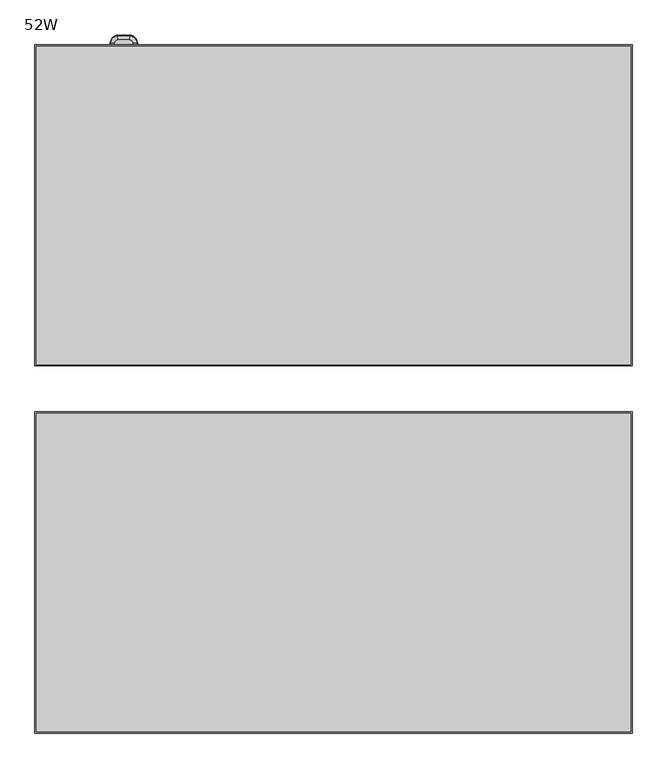
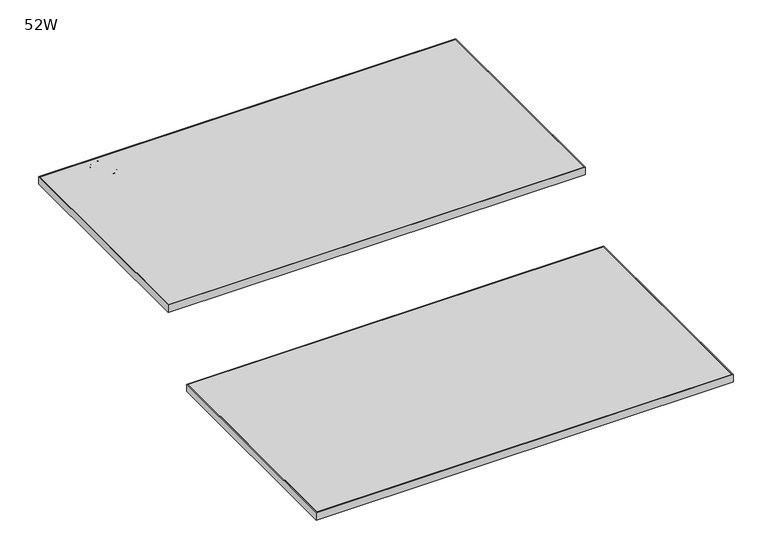
"""IFC4 building model written with IfcOpenShell, lengths in millimetres: furniture geometry, 52W."""

from ifc_helpers import new_model, si_unit, point, frame, origin, place, context, project, spatial, polyline, circle_curve, ellipse_curve, trimmed, outline, extrude, source, transform, mapped, element, save
from ifc_brep_helpers import plane_surface, revolved_surface, advanced_brep


def furniture_52w_1e0976c7(model_context):
    return source(origin(), model_context, "Body", "SolidModel", [
        advanced_brep(
        [(-477.6115374, 822.8053798, 889.4002905), (-478.7543179, 830.4598422, 886.5834162), (-492.2427261, 815.5601737, 886.5834162), (-484.5126626, 815.1822062, 889.4002905), (-493.50939, 815.6221082, 885.1527708), (-478.9415762, 831.7141179, 885.1527708), (-478.9660814, 831.8782564, 880.8840916), (-493.6751497, 815.6302132, 880.8840916), (-492.0943896, 779.9758204, 886.5834162), (-484.3677458, 780.4182206, 889.4002905), (-493.5261794, 779.8938412, 880.8840916), (-493.3604931, 779.9033279, 885.1527708), (-477.9675965, 765.2103493, 886.5834162), (-477.1841927, 772.909896, 889.4002905), (-478.1127656, 763.7835807, 880.8840916), (-478.0959667, 763.9486859, 885.1527708), (-450.6358016, 765.0298244, 886.5834162), (-451.3174314, 772.7390475, 889.4002905), (-450.5094919, 763.6012626, 880.8840916), (-450.5241084, 763.7665754, 885.1527708), (-434.9085802, 781.3244805, 886.5834162), (-442.6371131, 781.7325499, 889.4002905), (-433.4764403, 781.248863, 880.8840916), (-433.6421671, 781.2576135, 885.1527708), (-434.7872101, 814.6662347, 886.5834162), (-442.518509, 814.314442, 889.4002905), (-433.3545576, 814.7314238, 880.8840916), (-433.5203437, 814.7238802, 885.1527708), (-449.306564, 830.6029673, 886.5834162), (-450.3748861, 822.9377583, 889.4002905), (-449.1085979, 832.023373, 880.8840916), (-449.1315065, 831.859004, 885.1527708), (-484.5126626, 815.1822062, 876.6999998), (-477.6115374, 822.8053798, 876.6999998), (-450.3748861, 822.9377583, 876.6999998), (-442.518509, 814.314442, 876.6999998), (-442.6371131, 781.7325499, 876.6999998), (-451.3174314, 772.7390475, 876.6999998), (-477.1841927, 772.909896, 876.6999998), (-484.3677458, 780.4182206, 876.6999998), (-493.3250419, 815.6130944, 880.140773), (-478.914323, 831.5315728, 880.140773), (-493.1762266, 779.9138783, 880.140773), (-478.0772839, 764.1323063, 880.140773), (-450.540364, 763.9504265, 880.140773), (-433.8264787, 781.2673452, 880.140773), (-433.7047213, 814.7154906, 880.140773), (-449.1569841, 831.6762026, 880.140773)],
        [
            (0, 1),
            (1, 2, circle_curve(frame((-476.4143107, 814.786231, 886.5834162), z_axis=(0.0, 0.0, 1.0), x_axis=(-0.14765943736555143, 0.9890382654664525, 0.0)), 15.8473253)),
            (2, 3),
            (3, 0, circle_curve(frame((-476.4143107, 814.786231, 889.3999998), z_axis=(0.0, 0.0, -1.0), x_axis=(-0.14765943736555143, 0.9890382654664525, 0.0)), 8.1088255)),
            (4, 5, circle_curve(frame((-476.4143107, 814.786231, 885.1527708), z_axis=(0.0, 0.0, -1.0), x_axis=(-0.14765943736555143, 0.9890382654664525, 0.0)), 17.1155025)),
            (5, 6, circle_curve(frame((-477.3147111, 820.8172064, 882.5868597), z_axis=(-0.9890382654664525, -0.1476594373655514, 0.0), x_axis=(0.1476594373655514, -0.9890382654664525, 0.0)), 11.3125272)),
            (6, 7, circle_curve(frame((-476.4143107, 814.786231, 880.8840916), z_axis=(0.0, 0.0, 1.0), x_axis=(-0.14765943736555143, 0.9890382654664525, 0.0)), 17.2814602)),
            (7, 4, circle_curve(frame((-482.5048525, 815.0840328, 882.5868597), z_axis=(0.04883743353824094, 0.9988067406087116, 0.0), x_axis=(0.9988067406087116, -0.04883743353824094, 0.0)), 11.3125272)),
            (1, 5, circle_curve(frame((-478.6529657, 829.7809746, 884.6975708), z_axis=(-0.9890382654664525, -0.1476594373655514, 0.0), x_axis=(0.1476594373655514, -0.9890382654664525, 0.0)), 2.0068747)),
            (4, 2, circle_curve(frame((-491.5571536, 815.5266521, 884.6975708), z_axis=(0.048837433538238495, 0.9988067406087117, 0.0), x_axis=(0.9988067406087117, -0.048837433538238495, 0.0)), 2.0068747)),
            (2, 8, circle_curve(frame((-156.9426653, 799.1654161, 886.5834162), z_axis=(0.0, 0.0, 1.0), x_axis=(-0.9988067406087116, 0.04883743353824024, 0.0)), 335.7006387)),
            (8, 9),
            (9, 3, circle_curve(frame((-156.9426653, 799.1654161, 889.3999998), z_axis=(0.0, 0.0, -1.0), x_axis=(-0.9988067406087116, 0.04883743353824024, 0.0)), 327.9621389)),
            (7, 10, circle_curve(frame((-156.9426653, 799.1654161, 880.8840916), z_axis=(0.0, 0.0, 1.0), x_axis=(-0.9988067406087116, 0.04883743353824024, 0.0)), 337.1347736)),
            (10, 11, circle_curve(frame((-482.360824, 780.5331298, 882.5868597), z_axis=(-0.057162821296982205, 0.9983648691041613, 0.0), x_axis=(0.9983648691041613, 0.057162821296982205, 0.0)), 11.3125272)),
            (11, 4, circle_curve(frame((-156.9426653, 799.1654161, 885.1527708), z_axis=(0.0, 0.0, -1.0), x_axis=(-0.9988067406087116, 0.04883743353824024, 0.0)), 336.9688159)),
            (11, 8, circle_curve(frame((-491.4091203, 780.0150565, 884.6975708), z_axis=(-0.057162821296982094, 0.9983648691041613, 0.0), x_axis=(0.9983648691041613, 0.057162821296982094, 0.0)), 2.0068747)),
            (8, 12, circle_curve(frame((-476.3736743, 780.8759327, 886.5834162), z_axis=(0.0, 0.0, 1.0), x_axis=(-0.9983648691041614, -0.05716282129698137, 0.0)), 15.7464628)),
            (12, 13),
            (13, 9, circle_curve(frame((-476.3736743, 780.8759327, 889.3999998), z_axis=(0.0, 0.0, -1.0), x_axis=(-0.9983648691041614, -0.05716282129698137, 0.0)), 8.0079629)),
            (10, 14, circle_curve(frame((-476.3736743, 780.8759327, 880.8840916), z_axis=(0.0, 0.0, 1.0), x_axis=(-0.9983648691041614, -0.05716282129698137, 0.0)), 17.1805977)),
            (14, 15, circle_curve(frame((-476.980711, 774.9097797, 882.5868597), z_axis=(-0.9948636454160269, 0.10122414252308601, 0.0), x_axis=(0.10122414252308601, 0.9948636454160269, 0.0)), 11.3125272)),
            (15, 11, circle_curve(frame((-476.3736743, 780.8759327, 885.1527708), z_axis=(0.0, 0.0, -1.0), x_axis=(-0.9983648691041614, -0.05716282129698137, 0.0)), 17.01464)),
            (15, 12, circle_curve(frame((-477.8981171, 765.8932153, 884.6975708), z_axis=(-0.9948636454160271, 0.10122414252308312, 0.0), x_axis=(0.10122414252308312, 0.9948636454160271, 0.0)), 2.0068747)),
            (12, 16, circle_curve(frame((-463.3523463, 908.8537603, 886.5834162), z_axis=(0.0, 0.0, 1.0), x_axis=(-0.10122414252308336, -0.9948636454160271, 0.0)), 144.3850237)),
            (16, 17),
            (17, 13, circle_curve(frame((-463.3523463, 908.8537603, 889.3999998), z_axis=(0.0, 0.0, -1.0), x_axis=(-0.10122414252308336, -0.9948636454160271, 0.0)), 136.6465238)),
            (14, 18, circle_curve(frame((-463.3523463, 908.8537603, 880.8840916), z_axis=(0.0, 0.0, 1.0), x_axis=(-0.10122414252308336, -0.9948636454160271, 0.0)), 145.8191585)),
            (18, 19, circle_curve(frame((-451.4944783, 774.7414445, 882.5868597), z_axis=(-0.996113947934043, -0.08807384816876618, 0.0), x_axis=(-0.08807384816876618, 0.996113947934043, 0.0)), 11.3125272)),
            (19, 15, circle_curve(frame((-463.3523463, 908.8537603, 885.1527708), z_axis=(0.0, 0.0, -1.0), x_axis=(-0.10122414252308336, -0.9948636454160271, 0.0)), 145.6532009)),
            (19, 16, circle_curve(frame((-450.6962548, 765.7135486, 884.6975708), z_axis=(-0.996113947934043, -0.0880738481687662, 0.0), x_axis=(-0.0880738481687662, 0.996113947934043, 0.0)), 2.0068747)),
            (16, 20, circle_curve(frame((-452.1570575, 782.2352064, 886.5834162), z_axis=(0.0, 0.0, 1.0), x_axis=(0.08807384816876603, -0.996113947934043, 0.0)), 17.2725039)),
            (20, 21),
            (21, 17, circle_curve(frame((-452.1570575, 782.2352064, 889.3999998), z_axis=(0.0, 0.0, -1.0), x_axis=(0.08807384816876603, -0.996113947934043, 0.0)), 9.534004)),
            (18, 22, circle_curve(frame((-452.1570575, 782.2352064, 880.8840916), z_axis=(0.0, 0.0, 1.0), x_axis=(0.08807384816876603, -0.996113947934043, 0.0)), 18.7066388)),
            (22, 23, circle_curve(frame((-444.6445256, 781.838542, 882.5868597), z_axis=(-0.05272691522563906, -0.9986089687213852, 0.0), x_axis=(-0.9986089687213852, 0.05272691522563906, 0.0)), 11.3125272)),
            (23, 19, circle_curve(frame((-452.1570575, 782.2352064, 885.1527708), z_axis=(0.0, 0.0, -1.0), x_axis=(0.08807384816876603, -0.996113947934043, 0.0)), 18.5406811)),
            (23, 20, circle_curve(frame((-435.594017, 781.3606719, 884.6975708), z_axis=(-0.05272691522564173, -0.998608968721385, 0.0), x_axis=(-0.998608968721385, 0.05272691522564173, 0.0)), 2.0068747)),
            (20, 24, circle_curve(frame((-774.026514, 799.2300303, 886.5834162), z_axis=(0.0, 0.0, 1.0), x_axis=(0.9986089687213847, -0.05272691522564658, 0.0)), 339.5903145)),
            (24, 25),
            (25, 21, circle_curve(frame((-774.026514, 799.2300303, 889.3999998), z_axis=(0.0, 0.0, -1.0), x_axis=(0.9986089687213847, -0.05272691522564658, 0.0)), 331.8518146)),
            (22, 26, circle_curve(frame((-774.026514, 799.2300303, 880.8840916), z_axis=(0.0, 0.0, 1.0), x_axis=(0.9986089687213847, -0.05272691522564658, 0.0)), 341.0244494)),
            (26, 27, circle_curve(frame((-444.52664, 814.2230672, 882.5868597), z_axis=(0.04545537307657067, -0.9989663703340917, 0.0), x_axis=(-0.9989663703340917, -0.04545537307657067, 0.0)), 11.3125272)),
            (27, 23, circle_curve(frame((-774.026514, 799.2300303, 885.1527708), z_axis=(0.0, 0.0, -1.0), x_axis=(0.9986089687213847, -0.05272691522564658, 0.0)), 340.8584917)),
            (27, 24, circle_curve(frame((-435.4728922, 814.6350345, 884.6975708), z_axis=(0.045455373076570625, -0.9989663703340917, 0.0), x_axis=(-0.9989663703340917, -0.045455373076570625, 0.0)), 2.0068747)),
            (24, 28, circle_curve(frame((-451.6345546, 813.89964, 886.5834162), z_axis=(0.0, 0.0, 1.0), x_axis=(0.9989663703340921, 0.045455373076564755, 0.0)), 16.8647764)),
            (28, 29),
            (29, 25, circle_curve(frame((-451.6345546, 813.89964, 889.3999998), z_axis=(0.0, 0.0, -1.0), x_axis=(0.9989663703340921, 0.045455373076564755, 0.0)), 9.1262765)),
            (26, 30, circle_curve(frame((-451.6345546, 813.89964, 880.8840916), z_axis=(0.0, 0.0, 1.0), x_axis=(0.9989663703340921, 0.045455373076564755, 0.0)), 18.2989113)),
            (30, 31, circle_curve(frame((-450.6523726, 820.9467936, 882.5868597), z_axis=(0.9904268457768618, -0.13803862924738294, 0.0), x_axis=(-0.13803862924738294, -0.9904268457768618, 0.0)), 11.3125272)),
            (31, 27, circle_curve(frame((-451.6345546, 813.89964, 885.1527708), z_axis=(0.0, 0.0, -1.0), x_axis=(0.9989663703340921, 0.045455373076564755, 0.0)), 18.1329536)),
            (31, 28, circle_curve(frame((-449.4013125, 829.9231467, 884.6975708), z_axis=(0.9904268457768624, -0.13803862924737945, 0.0), x_axis=(-0.13803862924737945, -0.9904268457768624, 0.0)), 2.0068747)),
            (0, 29, circle_curve(frame((-463.5346182, 728.516711, 889.3999998), z_axis=(0.0, 0.0, -1.0), x_axis=(0.13803862924737878, 0.9904268457768624, 0.0)), 95.33449)),
            (28, 1, circle_curve(frame((-463.5346182, 728.516711, 886.5834162), z_axis=(0.0, 0.0, 1.0), x_axis=(0.13803862924737878, 0.9904268457768624, 0.0)), 103.0729899)),
            (5, 31, circle_curve(frame((-463.5346182, 728.516711, 885.1527708), z_axis=(0.0, 0.0, -1.0), x_axis=(0.13803862924737878, 0.9904268457768624, 0.0)), 104.3411671)),
            (30, 6, circle_curve(frame((-463.5346182, 728.516711, 880.8840916), z_axis=(0.0, 0.0, 1.0), x_axis=(0.13803862924737878, 0.9904268457768624, 0.0)), 104.5071248)),
            (32, 33, circle_curve(frame((-476.4143107, 814.786231, 876.6999998), z_axis=(0.0, 0.0, -1.0), x_axis=(-0.14765943736555143, 0.9890382654664525, 0.0)), 8.1080269)),
            (33, 34, circle_curve(frame((-463.5346182, 728.516711, 876.6999998), z_axis=(0.0, 0.0, -1.0), x_axis=(0.13803862924737878, 0.9904268457768624, 0.0)), 95.3336914)),
            (34, 35, circle_curve(frame((-451.6345546, 813.89964, 876.6999998), z_axis=(0.0, 0.0, -1.0), x_axis=(0.9989663703340921, 0.045455373076564755, 0.0)), 9.1254779)),
            (35, 36, circle_curve(frame((-774.026514, 799.2300303, 876.6999998), z_axis=(0.0, 0.0, -1.0), x_axis=(0.9986089687213847, -0.05272691522564658, 0.0)), 331.851016)),
            (36, 37, circle_curve(frame((-452.1570575, 782.2352064, 876.6999998), z_axis=(0.0, 0.0, -1.0), x_axis=(0.08807384816876603, -0.996113947934043, 0.0)), 9.5332054)),
            (37, 38, circle_curve(frame((-463.3523463, 908.8537603, 876.6999998), z_axis=(0.0, 0.0, -1.0), x_axis=(-0.10122414252308336, -0.9948636454160271, 0.0)), 136.6457252)),
            (38, 39, circle_curve(frame((-476.3736743, 780.8759327, 876.6999998), z_axis=(0.0, 0.0, -1.0), x_axis=(-0.9983648691041614, -0.05716282129698137, 0.0)), 8.0071643)),
            (39, 32, circle_curve(frame((-156.9426653, 799.1654161, 876.6999998), z_axis=(0.0, 0.0, -1.0), x_axis=(-0.9988067406087116, 0.04883743353824024, 0.0)), 327.9613402)),
            (40, 41, circle_curve(frame((-476.4143107, 814.786231, 880.140773), z_axis=(0.0, 0.0, -1.0), x_axis=(-0.14765943736555143, 0.9890382654664525, 0.0)), 16.9309342)),
            (41, 33, circle_curve(frame((-477.761296, 823.8084781, 887.1316594), z_axis=(-0.9890382654664525, -0.1476594373655514, 0.0), x_axis=(0.1476594373655514, -0.9890382654664525, 0.0)), 10.4808471)),
            (32, 40, circle_curve(frame((-485.5256682, 815.2317379, 887.1316594), z_axis=(0.048837433538235164, 0.9988067406087119, 0.0), x_axis=(0.9988067406087119, -0.048837433538235164, 0.0)), 10.4808471)),
            (6, 41, circle_curve(frame((-478.755997, 830.471089, 881.1007148), z_axis=(-0.9890382654664525, -0.1476594373655514, 0.0), x_axis=(0.1476594373655514, -0.9890382654664525, 0.0)), 1.4391599)),
            (40, 7, circle_curve(frame((-492.2540841, 815.5607291, 881.1007148), z_axis=(0.04883743353823983, 0.9988067406087117, 0.0), x_axis=(0.9988067406087117, -0.04883743353823983, 0.0)), 1.4391599)),
            (39, 42, circle_curve(frame((-485.3803033, 780.3602451, 887.1316594), z_axis=(-0.057162821296982025, 0.9983648691041613, 0.0), x_axis=(0.9983648691041613, 0.057162821296982025, 0.0)), 10.4808471)),
            (42, 40, circle_curve(frame((-156.9426653, 799.1654161, 880.140773), z_axis=(0.0, 0.0, -1.0), x_axis=(-0.9988067406087116, 0.04883743353824024, 0.0)), 336.7842476)),
            (42, 10, circle_curve(frame((-492.1057425, 779.9751704, 881.1007148), z_axis=(-0.057162821296981796, 0.9983648691041614, 0.0), x_axis=(0.9983648691041614, 0.057162821296981796, 0.0)), 1.4391599)),
            (38, 43, circle_curve(frame((-477.2868558, 771.9008896, 887.1316594), z_axis=(-0.9948636454160276, 0.1012241425230787, 0.0), x_axis=(0.1012241425230787, 0.9948636454160276, 0.0)), 10.4808471)),
            (43, 42, circle_curve(frame((-476.3736743, 780.8759327, 880.140773), z_axis=(0.0, 0.0, -1.0), x_axis=(-0.9983648691041614, -0.05716282129698137, 0.0)), 16.8300716)),
            (43, 14, circle_curve(frame((-477.9687476, 765.1990362, 881.1007148), z_axis=(-0.9948636454160269, 0.10122414252308488, 0.0), x_axis=(0.10122414252308488, 0.9948636454160269, 0.0)), 1.4391599)),
            (37, 44, circle_curve(frame((-451.2281056, 771.728773, 887.1316594), z_axis=(-0.996113947934043, -0.08807384816876587, 0.0), x_axis=(-0.08807384816876587, 0.996113947934043, 0.0)), 10.4808471)),
            (44, 43, circle_curve(frame((-463.3523463, 908.8537603, 880.140773), z_axis=(0.0, 0.0, -1.0), x_axis=(-0.10122414252308336, -0.9948636454160271, 0.0)), 145.4686325)),
            (44, 18, circle_curve(frame((-450.6348001, 765.018497, 881.1007148), z_axis=(-0.996113947934043, -0.08807384816876607, 0.0), x_axis=(-0.08807384816876607, 0.996113947934043, 0.0)), 1.4391599)),
            (36, 45, circle_curve(frame((-441.6243081, 781.6790734, 887.1316594), z_axis=(-0.05272691522564153, -0.998608968721385, 0.0), x_axis=(-0.998608968721385, 0.05272691522564153, 0.0)), 10.4808471)),
            (45, 44, circle_curve(frame((-452.1570575, 782.2352064, 880.140773), z_axis=(0.0, 0.0, -1.0), x_axis=(0.08807384816876603, -0.996113947934043, 0.0)), 18.3561127)),
            (45, 22, circle_curve(frame((-434.8972245, 781.323881, 881.1007148), z_axis=(-0.05272691522564307, -0.9986089687213849, 0.0), x_axis=(-0.9986089687213849, 0.05272691522564307, 0.0)), 1.4391599)),
            (35, 46, circle_curve(frame((-441.5053415, 814.3605436, 887.1316594), z_axis=(0.045455373076571055, -0.9989663703340917, 0.0), x_axis=(-0.9989663703340917, -0.045455373076571055, 0.0)), 10.4808471)),
            (46, 45, circle_curve(frame((-774.026514, 799.2300303, 880.140773), z_axis=(0.0, 0.0, -1.0), x_axis=(0.9986089687213847, -0.05272691522564658, 0.0)), 340.6739233)),
            (46, 26, circle_curve(frame((-434.7758503, 814.6667516, 881.1007148), z_axis=(0.045455373076570736, -0.9989663703340917, 0.0), x_axis=(-0.9989663703340917, -0.045455373076570736, 0.0)), 1.4391599)),
            (34, 47, circle_curve(frame((-450.2348851, 823.9422649, 887.1316594), z_axis=(0.990426845776861, -0.13803862924738824, 0.0), x_axis=(-0.13803862924738824, -0.990426845776861, 0.0)), 10.4808471)),
            (47, 46, circle_curve(frame((-451.6345546, 813.89964, 880.140773), z_axis=(0.0, 0.0, -1.0), x_axis=(0.9989663703340921, 0.045455373076564755, 0.0)), 17.9483852)),
            (47, 30, circle_curve(frame((-449.3049942, 830.6142299, 881.1007148), z_axis=(0.9904268457768618, -0.13803862924738294, 0.0), x_axis=(-0.13803862924738294, -0.9904268457768618, 0.0)), 1.4391599)),
            (41, 47, circle_curve(frame((-463.5346182, 728.516711, 880.140773), z_axis=(0.0, 0.0, -1.0), x_axis=(0.13803862924737878, 0.9904268457768624, 0.0)), 104.1565987)),
        ],
        [
            revolved_surface(polyline([(-478.7543179, 830.4598422, 886.5834162), (-477.6115374, 822.8053798, 889.4002905)]), (-476.4143107, 814.786231, 0.0), (0.0, 0.0, 1.0)),
            revolved_surface(trimmed(ellipse_curve(frame((-477.3147111, 820.8172064, 882.5868597), z_axis=(0.9890382654664525, 0.1476594373655514, 0.0), x_axis=(0.1476594373655514, -0.9890382654664525, 0.0)), 11.3125272, 11.3125272), [point((-478.9660814, 831.8782564, 880.8840916))], [point((-478.9415762, 831.7141179, 885.1527708))], True, "CARTESIAN"), (-476.4143107, 814.786231, 0.0), (0.0, 0.0, 1.0)),
            revolved_surface(trimmed(ellipse_curve(frame((-478.6529657, 829.7809746, 884.6975708), z_axis=(0.9890382654664525, 0.1476594373655514, 0.0), x_axis=(0.1476594373655514, -0.9890382654664525, 0.0)), 2.0068747, 2.0068747), [point((-478.9415762, 831.7141179, 885.1527708))], [point((-478.7543179, 830.4598422, 886.5834162))], True, "CARTESIAN"), (-476.4143107, 814.786231, 0.0), (0.0, 0.0, 1.0)),
            revolved_surface(polyline([(-492.2427261, 815.5601737, 886.5834162), (-484.5126626, 815.1822062, 889.4002905)]), (-156.9426653, 799.1654161, 0.0), (0.0, 0.0, 1.0)),
            revolved_surface(trimmed(ellipse_curve(frame((-482.5048525, 815.0840328, 882.5868597), z_axis=(0.04883743353824022, 0.9988067406087116, 0.0), x_axis=(0.9988067406087116, -0.04883743353824022, 0.0)), 11.3125272, 11.3125272), [point((-493.6751497, 815.6302132, 880.8840916))], [point((-493.50939, 815.6221082, 885.1527708))], True, "CARTESIAN"), (-156.9426653, 799.1654161, 0.0), (0.0, 0.0, 1.0)),
            revolved_surface(trimmed(ellipse_curve(frame((-491.5571536, 815.5266521, 884.6975708), z_axis=(0.04883743353824022, 0.9988067406087116, 0.0), x_axis=(0.9988067406087116, -0.04883743353824022, 0.0)), 2.0068747, 2.0068747), [point((-493.50939, 815.6221082, 885.1527708))], [point((-492.2427261, 815.5601737, 886.5834162))], True, "CARTESIAN"), (-156.9426653, 799.1654161, 0.0), (0.0, 0.0, 1.0)),
            revolved_surface(polyline([(-492.0943896, 779.9758204, 886.5834162), (-484.3677458, 780.4182206, 889.4002905)]), (-476.3736743, 780.8759327, 0.0), (0.0, 0.0, 1.0)),
            revolved_surface(trimmed(ellipse_curve(frame((-482.360824, 780.5331298, 882.5868597), z_axis=(-0.05716282129698137, 0.9983648691041614, 0.0), x_axis=(0.9983648691041614, 0.05716282129698137, 0.0)), 11.3125272, 11.3125272), [point((-493.5261794, 779.8938412, 880.8840916))], [point((-493.3604931, 779.9033279, 885.1527708))], True, "CARTESIAN"), (-476.3736743, 780.8759327, 0.0), (0.0, 0.0, 1.0)),
            revolved_surface(trimmed(ellipse_curve(frame((-491.4091203, 780.0150565, 884.6975708), z_axis=(-0.05716282129698137, 0.9983648691041614, 0.0), x_axis=(0.9983648691041614, 0.05716282129698137, 0.0)), 2.0068747, 2.0068747), [point((-493.3604931, 779.9033279, 885.1527708))], [point((-492.0943896, 779.9758204, 886.5834162))], True, "CARTESIAN"), (-476.3736743, 780.8759327, 0.0), (0.0, 0.0, 1.0)),
            revolved_surface(polyline([(-477.9675965, 765.2103493, 886.5834162), (-477.1841927, 772.909896, 889.4002905)]), (-463.3523463, 908.8537603, 0.0), (0.0, 0.0, 1.0)),
            revolved_surface(trimmed(ellipse_curve(frame((-476.980711, 774.9097797, 882.5868597), z_axis=(-0.9948636454160271, 0.10122414252308339, 0.0), x_axis=(0.10122414252308339, 0.9948636454160271, 0.0)), 11.3125272, 11.3125272), [point((-478.1127656, 763.7835807, 880.8840916))], [point((-478.0959667, 763.9486859, 885.1527708))], True, "CARTESIAN"), (-463.3523463, 908.8537603, 0.0), (0.0, 0.0, 1.0)),
            revolved_surface(trimmed(ellipse_curve(frame((-477.8981171, 765.8932153, 884.6975708), z_axis=(-0.9948636454160271, 0.10122414252308339, 0.0), x_axis=(0.10122414252308339, 0.9948636454160271, 0.0)), 2.0068747, 2.0068747), [point((-478.0959667, 763.9486859, 885.1527708))], [point((-477.9675965, 765.2103493, 886.5834162))], True, "CARTESIAN"), (-463.3523463, 908.8537603, 0.0), (0.0, 0.0, 1.0)),
            revolved_surface(polyline([(-450.6358016, 765.0298244, 886.5834162), (-451.3174314, 772.7390475, 889.4002905)]), (-452.1570575, 782.2352064, 0.0), (0.0, 0.0, 1.0)),
            revolved_surface(trimmed(ellipse_curve(frame((-451.4944783, 774.7414445, 882.5868597), z_axis=(-0.996113947934043, -0.08807384816876601, 0.0), x_axis=(-0.08807384816876601, 0.996113947934043, 0.0)), 11.3125272, 11.3125272), [point((-450.5094919, 763.6012626, 880.8840916))], [point((-450.5241084, 763.7665754, 885.1527708))], True, "CARTESIAN"), (-452.1570575, 782.2352064, 0.0), (0.0, 0.0, 1.0)),
            revolved_surface(trimmed(ellipse_curve(frame((-450.6962548, 765.7135486, 884.6975708), z_axis=(-0.996113947934043, -0.08807384816876601, 0.0), x_axis=(-0.08807384816876601, 0.996113947934043, 0.0)), 2.0068747, 2.0068747), [point((-450.5241084, 763.7665754, 885.1527708))], [point((-450.6358016, 765.0298244, 886.5834162))], True, "CARTESIAN"), (-452.1570575, 782.2352064, 0.0), (0.0, 0.0, 1.0)),
            revolved_surface(polyline([(-434.9085802, 781.3244805, 886.5834162), (-442.6371131, 781.7325499, 889.4002905)]), (-774.026514, 799.2300303, 0.0), (0.0, 0.0, 1.0)),
            revolved_surface(trimmed(ellipse_curve(frame((-444.6445256, 781.838542, 882.5868597), z_axis=(-0.05272691522564656, -0.9986089687213847, 0.0), x_axis=(-0.9986089687213847, 0.05272691522564656, 0.0)), 11.3125272, 11.3125272), [point((-433.4764403, 781.248863, 880.8840916))], [point((-433.6421671, 781.2576135, 885.1527708))], True, "CARTESIAN"), (-774.026514, 799.2300303, 0.0), (0.0, 0.0, 1.0)),
            revolved_surface(trimmed(ellipse_curve(frame((-435.594017, 781.3606719, 884.6975708), z_axis=(-0.05272691522564656, -0.9986089687213847, 0.0), x_axis=(-0.9986089687213847, 0.05272691522564656, 0.0)), 2.0068747, 2.0068747), [point((-433.6421671, 781.2576135, 885.1527708))], [point((-434.9085802, 781.3244805, 886.5834162))], True, "CARTESIAN"), (-774.026514, 799.2300303, 0.0), (0.0, 0.0, 1.0)),
            revolved_surface(polyline([(-434.7872101, 814.6662347, 886.5834162), (-442.518509, 814.314442, 889.4002905)]), (-451.6345546, 813.89964, 0.0), (0.0, 0.0, 1.0)),
            revolved_surface(trimmed(ellipse_curve(frame((-444.52664, 814.2230672, 882.5868597), z_axis=(0.04545537307656477, -0.9989663703340921, 0.0), x_axis=(-0.9989663703340921, -0.04545537307656477, 0.0)), 11.3125272, 11.3125272), [point((-433.3545576, 814.7314238, 880.8840916))], [point((-433.5203437, 814.7238802, 885.1527708))], True, "CARTESIAN"), (-451.6345546, 813.89964, 0.0), (0.0, 0.0, 1.0)),
            revolved_surface(trimmed(ellipse_curve(frame((-435.4728922, 814.6350345, 884.6975708), z_axis=(0.04545537307656477, -0.9989663703340921, 0.0), x_axis=(-0.9989663703340921, -0.04545537307656477, 0.0)), 2.0068747, 2.0068747), [point((-433.5203437, 814.7238802, 885.1527708))], [point((-434.7872101, 814.6662347, 886.5834162))], True, "CARTESIAN"), (-451.6345546, 813.89964, 0.0), (0.0, 0.0, 1.0)),
            revolved_surface(polyline([(-449.306564, 830.6029673, 886.5834162), (-450.3748861, 822.9377583, 889.4002905)]), (-463.5346182, 728.516711, 0.0), (0.0, 0.0, 1.0)),
            revolved_surface(trimmed(ellipse_curve(frame((-450.6523726, 820.9467936, 882.5868597), z_axis=(0.9904268457768624, -0.1380386292473788, 0.0), x_axis=(-0.1380386292473788, -0.9904268457768624, 0.0)), 11.3125272, 11.3125272), [point((-449.1085979, 832.023373, 880.8840916))], [point((-449.1315065, 831.859004, 885.1527708))], True, "CARTESIAN"), (-463.5346182, 728.516711, 0.0), (0.0, 0.0, 1.0)),
            revolved_surface(trimmed(ellipse_curve(frame((-449.4013125, 829.9231467, 884.6975708), z_axis=(0.9904268457768624, -0.1380386292473788, 0.0), x_axis=(-0.1380386292473788, -0.9904268457768624, 0.0)), 2.0068747, 2.0068747), [point((-449.1315065, 831.859004, 885.1527708))], [point((-449.306564, 830.6029673, 886.5834162))], True, "CARTESIAN"), (-463.5346182, 728.516711, 0.0), (0.0, 0.0, 1.0)),
            plane_surface(frame((-476.3736743, 772.8687684, 876.6999998), z_axis=(0.0, 0.0, -1.0), x_axis=(-1.0, 0.0, 0.0))),
            plane_surface(frame((-476.3736743, 772.8687684, 889.3999998), z_axis=(0.0, 0.0, 1.0), x_axis=(1.0, 0.0, 0.0))),
            revolved_surface(trimmed(ellipse_curve(frame((-477.761296, 823.8084781, 887.1316594), z_axis=(0.9890382654664525, 0.1476594373655514, 0.0), x_axis=(0.1476594373655514, -0.9890382654664525, 0.0)), 10.4808471, 10.4808471), [point((-477.6115374, 822.8053798, 876.6999998))], [point((-478.914323, 831.5315728, 880.140773))], True, "CARTESIAN"), (-476.4143107, 814.786231, 0.0), (0.0, 0.0, 1.0)),
            revolved_surface(trimmed(ellipse_curve(frame((-478.755997, 830.471089, 881.1007148), z_axis=(0.9890382654664525, 0.1476594373655514, 0.0), x_axis=(0.1476594373655514, -0.9890382654664525, 0.0)), 1.4391599, 1.4391599), [point((-478.914323, 831.5315728, 880.140773))], [point((-478.9660814, 831.8782564, 880.8840916))], True, "CARTESIAN"), (-476.4143107, 814.786231, 0.0), (0.0, 0.0, 1.0)),
            revolved_surface(trimmed(ellipse_curve(frame((-485.5256682, 815.2317379, 887.1316594), z_axis=(0.04883743353824022, 0.9988067406087116, 0.0), x_axis=(0.9988067406087116, -0.04883743353824022, 0.0)), 10.4808471, 10.4808471), [point((-484.5126626, 815.1822062, 876.6999998))], [point((-493.3250419, 815.6130944, 880.140773))], True, "CARTESIAN"), (-156.9426653, 799.1654161, 0.0), (0.0, 0.0, 1.0)),
            revolved_surface(trimmed(ellipse_curve(frame((-492.2540841, 815.5607291, 881.1007148), z_axis=(0.04883743353824022, 0.9988067406087116, 0.0), x_axis=(0.9988067406087116, -0.04883743353824022, 0.0)), 1.4391599, 1.4391599), [point((-493.3250419, 815.6130944, 880.140773))], [point((-493.6751497, 815.6302132, 880.8840916))], True, "CARTESIAN"), (-156.9426653, 799.1654161, 0.0), (0.0, 0.0, 1.0)),
            revolved_surface(trimmed(ellipse_curve(frame((-485.3803033, 780.3602451, 887.1316594), z_axis=(-0.05716282129698137, 0.9983648691041614, 0.0), x_axis=(0.9983648691041614, 0.05716282129698137, 0.0)), 10.4808471, 10.4808471), [point((-484.3677458, 780.4182206, 876.6999998))], [point((-493.1762266, 779.9138783, 880.140773))], True, "CARTESIAN"), (-476.3736743, 780.8759327, 0.0), (0.0, 0.0, 1.0)),
            revolved_surface(trimmed(ellipse_curve(frame((-492.1057425, 779.9751704, 881.1007148), z_axis=(-0.05716282129698137, 0.9983648691041614, 0.0), x_axis=(0.9983648691041614, 0.05716282129698137, 0.0)), 1.4391599, 1.4391599), [point((-493.1762266, 779.9138783, 880.140773))], [point((-493.5261794, 779.8938412, 880.8840916))], True, "CARTESIAN"), (-476.3736743, 780.8759327, 0.0), (0.0, 0.0, 1.0)),
            revolved_surface(trimmed(ellipse_curve(frame((-477.2868558, 771.9008896, 887.1316594), z_axis=(-0.9948636454160271, 0.10122414252308339, 0.0), x_axis=(0.10122414252308339, 0.9948636454160271, 0.0)), 10.4808471, 10.4808471), [point((-477.1841927, 772.909896, 876.6999998))], [point((-478.0772839, 764.1323063, 880.140773))], True, "CARTESIAN"), (-463.3523463, 908.8537603, 0.0), (0.0, 0.0, 1.0)),
            revolved_surface(trimmed(ellipse_curve(frame((-477.9687476, 765.1990362, 881.1007148), z_axis=(-0.9948636454160271, 0.10122414252308339, 0.0), x_axis=(0.10122414252308339, 0.9948636454160271, 0.0)), 1.4391599, 1.4391599), [point((-478.0772839, 764.1323063, 880.140773))], [point((-478.1127656, 763.7835807, 880.8840916))], True, "CARTESIAN"), (-463.3523463, 908.8537603, 0.0), (0.0, 0.0, 1.0)),
            revolved_surface(trimmed(ellipse_curve(frame((-451.2281056, 771.728773, 887.1316594), z_axis=(-0.996113947934043, -0.08807384816876601, 0.0), x_axis=(-0.08807384816876601, 0.996113947934043, 0.0)), 10.4808471, 10.4808471), [point((-451.3174314, 772.7390475, 876.6999998))], [point((-450.540364, 763.9504265, 880.140773))], True, "CARTESIAN"), (-452.1570575, 782.2352064, 0.0), (0.0, 0.0, 1.0)),
            revolved_surface(trimmed(ellipse_curve(frame((-450.6348001, 765.018497, 881.1007148), z_axis=(-0.996113947934043, -0.08807384816876601, 0.0), x_axis=(-0.08807384816876601, 0.996113947934043, 0.0)), 1.4391599, 1.4391599), [point((-450.540364, 763.9504265, 880.140773))], [point((-450.5094919, 763.6012626, 880.8840916))], True, "CARTESIAN"), (-452.1570575, 782.2352064, 0.0), (0.0, 0.0, 1.0)),
            revolved_surface(trimmed(ellipse_curve(frame((-441.6243081, 781.6790734, 887.1316594), z_axis=(-0.05272691522564656, -0.9986089687213847, 0.0), x_axis=(-0.9986089687213847, 0.05272691522564656, 0.0)), 10.4808471, 10.4808471), [point((-442.6371131, 781.7325499, 876.6999998))], [point((-433.8264787, 781.2673452, 880.140773))], True, "CARTESIAN"), (-774.026514, 799.2300303, 0.0), (0.0, 0.0, 1.0)),
            revolved_surface(trimmed(ellipse_curve(frame((-434.8972245, 781.323881, 881.1007148), z_axis=(-0.05272691522564656, -0.9986089687213847, 0.0), x_axis=(-0.9986089687213847, 0.05272691522564656, 0.0)), 1.4391599, 1.4391599), [point((-433.8264787, 781.2673452, 880.140773))], [point((-433.4764403, 781.248863, 880.8840916))], True, "CARTESIAN"), (-774.026514, 799.2300303, 0.0), (0.0, 0.0, 1.0)),
            revolved_surface(trimmed(ellipse_curve(frame((-441.5053415, 814.3605436, 887.1316594), z_axis=(0.04545537307656477, -0.9989663703340921, 0.0), x_axis=(-0.9989663703340921, -0.04545537307656477, 0.0)), 10.4808471, 10.4808471), [point((-442.518509, 814.314442, 876.6999998))], [point((-433.7047213, 814.7154906, 880.140773))], True, "CARTESIAN"), (-451.6345546, 813.89964, 0.0), (0.0, 0.0, 1.0)),
            revolved_surface(trimmed(ellipse_curve(frame((-434.7758503, 814.6667516, 881.1007148), z_axis=(0.04545537307656477, -0.9989663703340921, 0.0), x_axis=(-0.9989663703340921, -0.04545537307656477, 0.0)), 1.4391599, 1.4391599), [point((-433.7047213, 814.7154906, 880.140773))], [point((-433.3545576, 814.7314238, 880.8840916))], True, "CARTESIAN"), (-451.6345546, 813.89964, 0.0), (0.0, 0.0, 1.0)),
            revolved_surface(trimmed(ellipse_curve(frame((-450.2348851, 823.9422649, 887.1316594), z_axis=(0.9904268457768624, -0.1380386292473788, 0.0), x_axis=(-0.1380386292473788, -0.9904268457768624, 0.0)), 10.4808471, 10.4808471), [point((-450.3748861, 822.9377583, 876.6999998))], [point((-449.1569841, 831.6762026, 880.140773))], True, "CARTESIAN"), (-463.5346182, 728.516711, 0.0), (0.0, 0.0, 1.0)),
            revolved_surface(trimmed(ellipse_curve(frame((-449.3049942, 830.6142299, 881.1007148), z_axis=(0.9904268457768624, -0.1380386292473788, 0.0), x_axis=(-0.1380386292473788, -0.9904268457768624, 0.0)), 1.4391599, 1.4391599), [point((-449.1569841, 831.6762026, 880.140773))], [point((-449.1085979, 832.023373, 880.8840916))], True, "CARTESIAN"), (-463.5346182, 728.516711, 0.0), (0.0, 0.0, 1.0)),
        ],
        [
            (0, [[1, 2, 3, 4]]),
            (1, [[5, 6, 7, 8]]),
            (2, [[-2, 9, -5, 10]]),
            (3, [[-3, 11, 12, 13]]),
            (4, [[-8, 14, 15, 16]]),
            (5, [[-10, -16, 17, -11]]),
            (6, [[-12, 18, 19, 20]]),
            (7, [[-15, 21, 22, 23]]),
            (8, [[-17, -23, 24, -18]]),
            (9, [[-19, 25, 26, 27]]),
            (10, [[-22, 28, 29, 30]]),
            (11, [[-24, -30, 31, -25]]),
            (12, [[-26, 32, 33, 34]]),
            (13, [[-29, 35, 36, 37]]),
            (14, [[-31, -37, 38, -32]]),
            (15, [[-33, 39, 40, 41]]),
            (16, [[-36, 42, 43, 44]]),
            (17, [[-38, -44, 45, -39]]),
            (18, [[-40, 46, 47, 48]]),
            (19, [[-43, 49, 50, 51]]),
            (20, [[-45, -51, 52, -46]]),
            (21, [[-1, 53, -47, 54]]),
            (22, [[-6, 55, -50, 56]]),
            (23, [[-9, -54, -52, -55]]),
            (24, [[57, 58, 59, 60, 61, 62, 63, 64]]),
            (25, [[-4, -13, -20, -27, -34, -41, -48, -53]]),
            (26, [[65, 66, -57, 67]]),
            (27, [[-7, 68, -65, 69]]),
            (28, [[-67, -64, 70, 71]]),
            (29, [[-14, -69, -71, 72]]),
            (30, [[-70, -63, 73, 74]]),
            (31, [[-21, -72, -74, 75]]),
            (32, [[-73, -62, 76, 77]]),
            (33, [[-28, -75, -77, 78]]),
            (34, [[-76, -61, 79, 80]]),
            (35, [[-35, -78, -80, 81]]),
            (36, [[-79, -60, 82, 83]]),
            (37, [[-42, -81, -83, 84]]),
            (38, [[-82, -59, 85, 86]]),
            (39, [[-49, -84, -86, 87]]),
            (40, [[-66, 88, -85, -58]]),
            (41, [[-56, -87, -88, -68]]),
        ],
    ),
        extrude(outline(polyline([(657.437698, -706.84375), (-657.3622806, -706.84375), (-657.3622806, -3.0), (657.437698, -3.0), (657.437698, -706.84375)])), frame((0.0, 0.0, 686.1999998), z_axis=(0.0, 0.0, 1.0), x_axis=(1.0, 0.0, 0.0)), (0.0, 0.0, 1.0), 25.0000002),
        extrude(outline(polyline([(660.4, -709.8439286), (-660.4, -709.8439286), (-660.4, 0.0), (660.4, 0.0), (660.4, -709.8439286)]), holes=[polyline([(657.437698, -706.84375), (657.437698, -3.0), (-657.3622806, -3.0), (-657.3622806, -706.84375), (657.437698, -706.84375)])]), frame((0.0, 0.0, 686.1999998), z_axis=(0.0, 0.0, 1.0), x_axis=(1.0, 0.0, 0.0)), (0.0, 0.0, 1.0), 25.0000002),
        extrude(outline(polyline([(657.437698, 808.4439663), (657.437698, 104.5993194), (-657.3622806, 104.5993194), (-657.3622806, 808.4439663), (657.437698, 808.4439663)])), frame((0.0, 0.0, 889.3999998), z_axis=(0.0, 0.0, 1.0), x_axis=(1.0, 0.0, 0.0)), (0.0, 0.0, 1.0), 25.0000002),
        extrude(outline(polyline([(660.4, 811.4439286), (660.4, 101.6), (-660.4, 101.6), (-660.4, 811.4439286), (660.4, 811.4439286)]), holes=[polyline([(657.437698, 808.4439663), (-657.3622806, 808.4439663), (-657.3622806, 104.5993194), (657.437698, 104.5993194), (657.437698, 808.4439663)])]), frame((0.0, 0.0, 889.3999998), z_axis=(0.0, 0.0, 1.0), x_axis=(1.0, 0.0, 0.0)), (0.0, 0.0, 1.0), 25.0000002),
    ])


if __name__ == "__main__":
    model = new_model("IFC4")
    model_context = context("Model", 3, world=origin())
    ifc_project = project(units=[si_unit("LENGTHUNIT", "METRE", prefix="MILLI")], contexts=[model_context])
    site = spatial("IfcSite", under=ifc_project)
    building = spatial("IfcBuilding", under=site)
    placement = place(None, origin())
    furniture_52w_shape = furniture_52w_1e0976c7(model_context)
    element("IfcFurniture", 1, ObjectType="52W", at=placement, inside=building, context=model_context, shape_type="MappedRepresentation", body=[
        mapped(furniture_52w_shape, transform((0.0, 0.0, 0.0), x_axis=(1.0, 0.0, 0.0), y_axis=(0.0, 1.0, 0.0), z_axis=(0.0, 0.0, 1.0))),
    ])
    save(model, "model.ifc")
